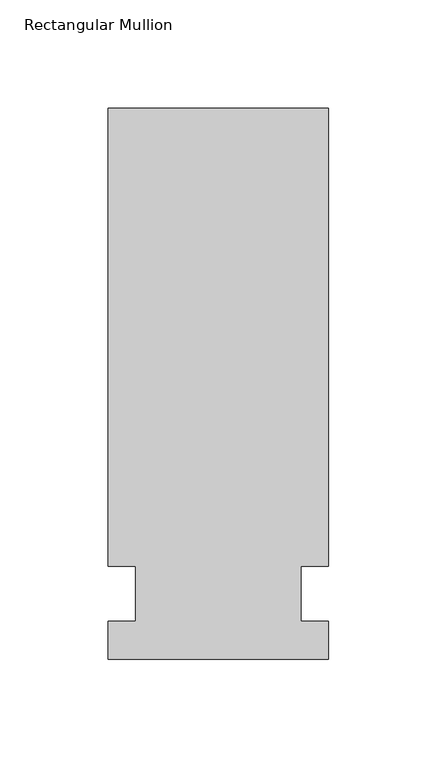
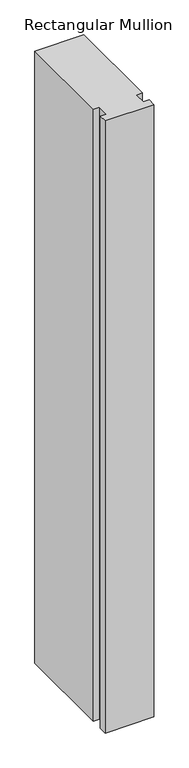
"""IFC4 building model written with IfcOpenShell, lengths in millimetres: member geometry, Rectangular Mullion."""

import ifcopenshell
import ifcopenshell.guid

model = None  # the IFC model being written
_history = None  # IfcOwnerHistory: only IFC2X3 demands one
_inside = {}  # id of a spatial element -> (the spatial element, [elements in it])
_under = {}  # id of a project, library or spatial element -> (it, [spatial elements below it])
_declared = {}  # id of a project -> (the project, [libraries it declares])
_typed = {}  # id of a type object -> (the type object, [elements of that type])
_made_of = {}  # id of a material, layer set ... -> (it, [elements and type objects made of it])


def new_model(schema):
    """Start an empty IFC model of exactly this schema.

    Asked for "IFC4X3", IfcOpenShell would pick the latest addendum, in which some entities
    have other attributes; the version numbers below select the first issue.
    IFC2X3 requires an IfcOwnerHistory on every rooted entity: one is made here for all.
    """
    global model, _history
    if schema == "IFC4X3":
        model = ifcopenshell.file(schema_version=(4, 3, 0, 0))
    else:
        model = ifcopenshell.file(schema=schema)
    _inside.clear()
    _under.clear()
    _declared.clear()
    _typed.clear()
    _made_of.clear()
    _history = None
    if model.schema == "IFC2X3":
        org = make("IfcOrganization", Name="unknown")
        user = make(
            "IfcPersonAndOrganization",
            ThePerson=make("IfcPerson", FamilyName="unknown"),
            TheOrganization=org,
        )
        app = make(
            "IfcApplication",
            ApplicationDeveloper=org,
            Version="unknown",
            ApplicationFullName="unknown",
            ApplicationIdentifier="unknown",
        )
        _history = make(
            "IfcOwnerHistory",
            OwningUser=user,
            OwningApplication=app,
            ChangeAction="ADDED",
            CreationDate=0,
        )
    return model


def make(cls, **values):
    """One entity of the class cls with the attributes given. An attribute that is None is left unset."""
    return model.create_entity(
        cls, **{name: value for name, value in values.items() if value is not None}
    )


def rooted(cls, **values):
    """An entity with a GlobalId (a new one), such as an element, a storey or a relation."""
    return make(cls, GlobalId=ifcopenshell.guid.new(), OwnerHistory=_history, **values)


def si_unit(unit_type, name, prefix=None):
    """IfcSIUnit, for example si_unit("LENGTHUNIT", "METRE", prefix="MILLI")."""
    return make("IfcSIUnit", UnitType=unit_type, Prefix=prefix, Name=name)


def assignment(units):
    """IfcUnitAssignment: the units of a project."""
    return None if units is None else make("IfcUnitAssignment", Units=units)


def point(xyz):
    """IfcCartesianPoint."""
    return None if xyz is None else make("IfcCartesianPoint", Coordinates=xyz)


def direction(xyz):
    """IfcDirection."""
    return None if xyz is None else make("IfcDirection", DirectionRatios=xyz)


def frame(location, z_axis=None, x_axis=None):
    """IfcAxis2Placement3D, a coordinate frame: its origin and axes. An axis left out is left unset."""
    return make(
        "IfcAxis2Placement3D",
        Location=point(location),
        Axis=direction(z_axis),
        RefDirection=direction(x_axis),
    )


def origin():
    """The frame at (0, 0, 0) with its axes left unset."""
    return frame((0.0, 0.0, 0.0))


def place(relative_to, where):
    """IfcLocalPlacement: puts the frame where relative to a parent placement (None: the world)."""
    return make(
        "IfcLocalPlacement", PlacementRelTo=relative_to, RelativePlacement=where
    )


def context(
    kind, dimensions, precision=None, world=None, true_north=None, identifier=None
):
    """IfcGeometricRepresentationContext, for example the 3D "Model" context."""
    return make(
        "IfcGeometricRepresentationContext",
        ContextIdentifier=identifier,
        ContextType=kind,
        CoordinateSpaceDimension=dimensions,
        Precision=precision,
        WorldCoordinateSystem=world,
        TrueNorth=true_north,
    )


def project(units=None, contexts=None):
    """IfcProject with its units and contexts."""
    return rooted(
        "IfcProject",
        Name="project",
        RepresentationContexts=contexts,
        UnitsInContext=assignment(units),
    )


def spatial(cls, under=None, at=None, **own):
    """A site, building, storey or space (cls), placed at a placement, below another one or the project."""
    s = rooted(cls, ObjectPlacement=at, **own)
    if under is not None:
        _under.setdefault(under.id(), (under, []))[1].append(s)
    return s


def polyline(points):
    """IfcPolyline through the points."""
    return make("IfcPolyline", Points=[point(p) for p in points])


def outline(outer, holes=None, kind="AREA"):
    """IfcArbitraryClosedProfileDef: a profile drawn as a closed curve; with holes, ...WithVoids."""
    if holes is None:
        return make("IfcArbitraryClosedProfileDef", ProfileType=kind, OuterCurve=outer)
    return make(
        "IfcArbitraryProfileDefWithVoids",
        ProfileType=kind,
        OuterCurve=outer,
        InnerCurves=holes,
    )


def extrude(swept, where, along, depth):
    """IfcExtrudedAreaSolid: the profile swept, set in the frame where, extruded along a direction by depth."""
    return make(
        "IfcExtrudedAreaSolid",
        SweptArea=swept,
        Position=where,
        ExtrudedDirection=direction(along),
        Depth=depth,
    )


def shape(context_of_items, identifier, shape_type, items):
    """IfcShapeRepresentation: the items that make up one representation, for example the "Body"."""
    return make(
        "IfcShapeRepresentation",
        ContextOfItems=context_of_items,
        RepresentationIdentifier=identifier,
        RepresentationType=shape_type,
        Items=items,
    )


def source(mapping_origin, context_of_items, identifier, shape_type, items):
    """IfcRepresentationMap: a shape defined once, which mapped items show again and again."""
    return make(
        "IfcRepresentationMap",
        MappingOrigin=mapping_origin,
        MappedRepresentation=shape(context_of_items, identifier, shape_type, items),
    )


def transform(
    local_origin,
    x_axis=None,
    y_axis=None,
    z_axis=None,
    scale=None,
    scale2=None,
    scale3=None,
    uniform=True,
):
    """IfcCartesianTransformationOperator3D, or its non-uniform kind. x_axis, y_axis, z_axis: its Axis1, 2, 3."""
    if uniform:
        return make(
            "IfcCartesianTransformationOperator3D",
            Axis1=direction(x_axis),
            Axis2=direction(y_axis),
            LocalOrigin=point(local_origin),
            Scale=scale,
            Axis3=direction(z_axis),
        )
    return make(
        "IfcCartesianTransformationOperator3DnonUniform",
        Axis1=direction(x_axis),
        Axis2=direction(y_axis),
        LocalOrigin=point(local_origin),
        Scale=scale,
        Axis3=direction(z_axis),
        Scale2=scale2,
        Scale3=scale3,
    )


def mapped(mapping_source, mapping_target):
    """IfcMappedItem: shows the shape of a source again, moved by a transform."""
    return make(
        "IfcMappedItem", MappingSource=mapping_source, MappingTarget=mapping_target
    )


def made_of(thing, what):
    """Note that an element or type object is made of a material, layer set ...; save() writes the relation."""
    if what is not None:
        _made_of.setdefault(what.id(), (what, []))[1].append(thing)
    return thing


def element(
    cls,
    number,
    at=None,
    inside=None,
    cuts=None,
    type_object=None,
    material=None,
    context=None,
    identifier="Body",
    shape_type=None,
    held_by="IfcProductDefinitionShape",
    body=None,
    shapes=None,
    **own,
):
    """One element of the class cls, such as IfcWall. Its Tag is "e" and its number.

    at: its placement. inside: the storey or other place that contains it. cuts: it is an
    opening in that element (IfcRelVoidsElement). A single representation is given by context,
    identifier, shape_type and body (its items); several are given by shapes. held_by: the class
    of the entity that holds the representations. save() writes the other relations.
    """
    e = rooted(cls, Tag="e%d" % number, ObjectPlacement=at, **own)
    if body is not None:
        shapes = [shape(context, identifier, shape_type, body)]
    if shapes is not None:
        e.Representation = make(held_by, Representations=shapes)
    if inside is not None:
        _inside.setdefault(inside.id(), (inside, []))[1].append(e)
    if cuts is not None:
        rooted(
            "IfcRelVoidsElement", RelatingBuildingElement=cuts, RelatedOpeningElement=e
        )
    if type_object is not None:
        _typed.setdefault(type_object.id(), (type_object, []))[1].append(e)
    return made_of(e, material)


def aggregate(whole, parts):
    """IfcRelAggregates: a whole, such as a stair, and the parts it consists of."""
    return rooted("IfcRelAggregates", RelatingObject=whole, RelatedObjects=parts)


def save(model, path):
    """Write the relations noted so far, then the file.

    IfcRelAggregates (storeys below a building ...), IfcRelContainedInSpatialStructure (elements
    in a storey), IfcRelDefinesByType, IfcRelAssociatesMaterial and IfcRelDeclares: one each for
    every whole, place, type object, material and project.
    """
    for whole, parts in _under.values():
        aggregate(whole, parts)
    for where, things in _inside.values():
        rooted(
            "IfcRelContainedInSpatialStructure",
            RelatedElements=things,
            RelatingStructure=where,
        )
    for kind, things in _typed.values():
        rooted("IfcRelDefinesByType", RelatedObjects=things, RelatingType=kind)
    for what, things in _made_of.values():
        rooted("IfcRelAssociatesMaterial", RelatedObjects=things, RelatingMaterial=what)
    for by, libraries in _declared.values():
        rooted("IfcRelDeclares", RelatingContext=by, RelatedDefinitions=libraries)
    model.write(path)


def rectangular_mullion_ed0eb111(model_context):
    return source(origin(), model_context, "Body", "SweptSolid", [
        extrude(outline(polyline([(55.1344027, 223.8375), (55.1344027, 12.7), (42.4326322, 12.7), (42.4326322, -12.7), (55.1344027, -12.7), (55.1344027, -30.1625), (-46.4655973, -30.1625), (-46.4655973, -12.7), (-33.7655973, -12.7), (-33.7655973, 12.7), (-46.4655973, 12.7), (-46.4655973, 223.8375), (55.1344027, 223.8375)])), frame((0.0, 0.0, -1349.4760693), z_axis=(0.0, 0.0, 1.0), x_axis=(1.0, 0.0, 0.0)), (0.0, 0.0, 1.0), 1349.4760693),
    ])


if __name__ == "__main__":
    model = new_model("IFC4")
    model_context = context("Model", 3, world=origin())
    ifc_project = project(units=[si_unit("LENGTHUNIT", "METRE", prefix="MILLI")], contexts=[model_context])
    site = spatial("IfcSite", under=ifc_project)
    building = spatial("IfcBuilding", under=site)
    placement = place(None, origin())
    rectangular_mullion_shape = rectangular_mullion_ed0eb111(model_context)
    element("IfcMember", 1, ObjectType="Rectangular Mullion", at=placement, inside=building, context=model_context, shape_type="MappedRepresentation", body=[
        mapped(rectangular_mullion_shape, transform((0.0, 0.0, 0.0), x_axis=(1.0, 0.0, 0.0), y_axis=(0.0, 1.0, 0.0), z_axis=(0.0, 0.0, 1.0))),
    ])
    save(model, "model.ifc")
